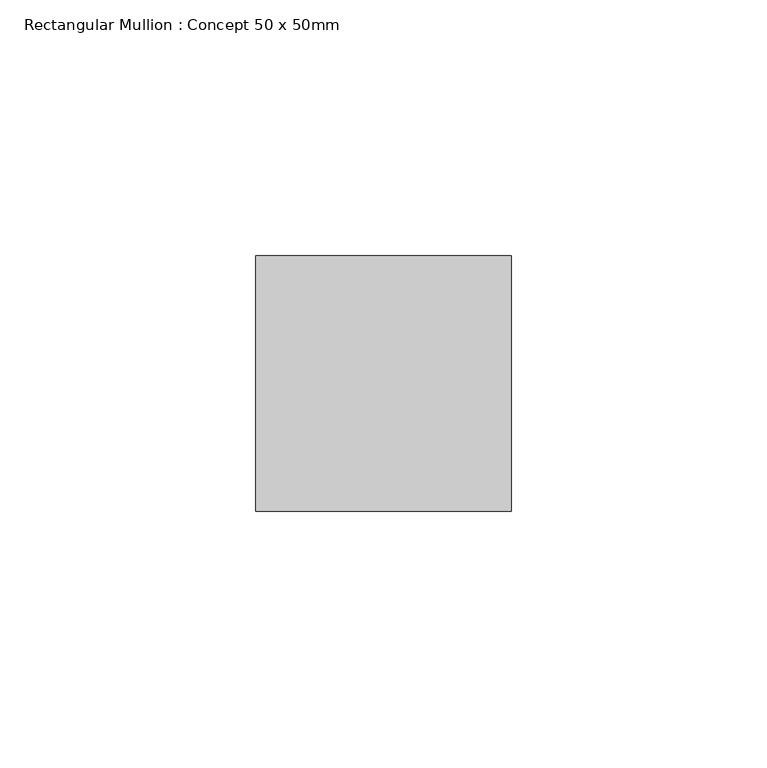
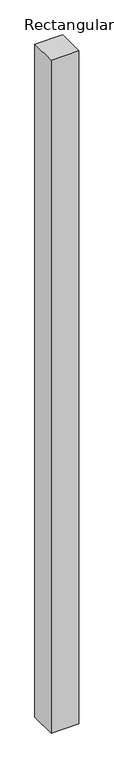
"""IFC4 building model written with IfcOpenShell, lengths in millimetres: member geometry, Rectangular Mullion : Concept 50 x 50mm."""

from ifc_helpers import new_model, si_unit, frame, origin, place, context, project, spatial, polyline, outline, extrude, source, transform, mapped, element, save


def rectangular_mullion_concept_50_x_50mm_9c751ba5(model_context):
    return source(origin(), model_context, "Body", "SweptSolid", [
        extrude(outline(polyline([(25.0, 50.0), (25.0, 0.0), (-25.0, 0.0), (-25.0, 50.0), (25.0, 50.0)])), frame((0.0, 0.0, -1275.0), z_axis=(0.0, 0.0, 1.0), x_axis=(1.0, 0.0, 0.0)), (0.0, 0.0, 1.0), 1275.0),
    ])


if __name__ == "__main__":
    model = new_model("IFC4")
    model_context = context("Model", 3, world=origin())
    ifc_project = project(units=[si_unit("LENGTHUNIT", "METRE", prefix="MILLI")], contexts=[model_context])
    site = spatial("IfcSite", under=ifc_project)
    building = spatial("IfcBuilding", under=site)
    placement = place(None, origin())
    rectangular_mullion_concept_50_x_50mm_shape = rectangular_mullion_concept_50_x_50mm_9c751ba5(model_context)
    element("IfcMember", 1, ObjectType="Rectangular Mullion : Concept 50 x 50mm", at=placement, inside=building, context=model_context, shape_type="MappedRepresentation", body=[
        mapped(rectangular_mullion_concept_50_x_50mm_shape, transform((0.0, 0.0, 0.0), x_axis=(1.0, 0.0, 0.0), y_axis=(0.0, 1.0, 0.0), z_axis=(0.0, 0.0, 1.0))),
    ])
    save(model, "model.ifc")
